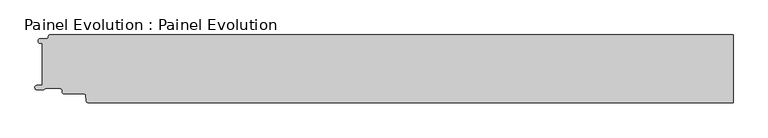
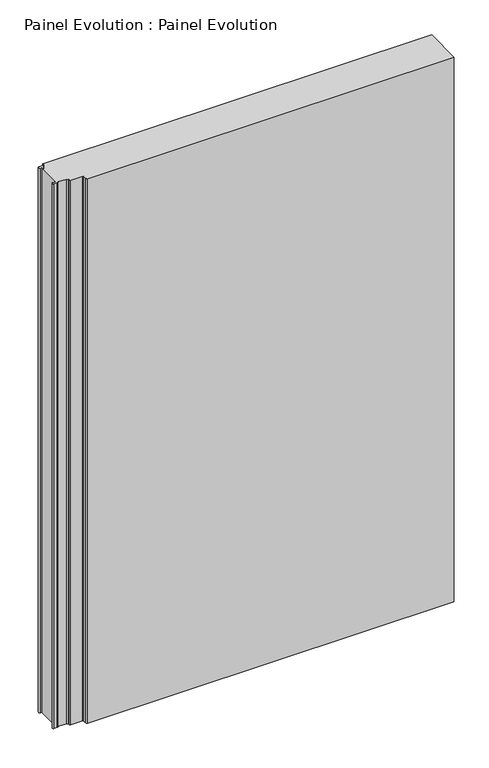
"""IFC4 building model written with IfcOpenShell, lengths in millimetres: proxy geometry, Painel Evolution : Painel Evolution."""

from ifc_helpers import new_model, si_unit, point, frame_2d, origin, origin_with_axes, place, context, project, spatial, polyline, circle_curve, trimmed, segment, composite_curve, outline, extrude, source, transform, mapped, element, save


def painel_evolution_painel_evolution_0a99a127(model_context):
    return source(origin(), model_context, "Body", "SweptSolid", [
        extrude(outline(composite_curve([segment(polyline([(-511.0390625, 50.0), (494.9999997, 50.0), (494.9999997, -50.0), (-454.4023864, -50.0)]), True, "CONTINUOUS"), segment(trimmed(circle_curve(frame_2d((-454.3507103, -47.1106339)), 2.8898282), [point((-454.4023864, -50.0))], [point((-457.2295384, -47.3625382))], False, "CARTESIAN"), True, "CONTINUOUS"), segment(polyline([(-457.2295384, -47.3625382), (-457.9760411, -38.8313116)]), True, "CONTINUOUS"), segment(trimmed(circle_curve(frame_2d((-459.9959051, -39.0080546)), 2.027582), [point((-457.9760411, -38.8313116))], [point((-458.3872648, -37.7738078))], True, "CARTESIAN"), True, "CONTINUOUS"), segment(trimmed(circle_curve(frame_2d((-459.9740222, -38.9912647)), 2.0), [point((-458.3872648, -37.7738078))], [point((-459.9818684, -36.99128))], True, "CARTESIAN"), True, "CONTINUOUS"), segment(polyline([(-459.9818684, -36.99128), (-489.9687938, -36.99128)]), True, "CONTINUOUS"), segment(trimmed(circle_curve(frame_2d((-489.9687938, -34.19128)), 2.8), [point((-489.9687938, -36.99128))], [point((-492.7687939, -34.19128))], False, "CARTESIAN"), True, "CONTINUOUS"), segment(polyline([(-492.7687939, -34.19128), (-492.7687939, -31.9007195)]), True, "CONTINUOUS"), segment(trimmed(circle_curve(frame_2d((-495.7687939, -31.9007195)), 3.0), [point((-492.7687939, -31.9007195))], [point((-495.7687939, -28.9007195))], True, "CARTESIAN"), True, "CONTINUOUS"), segment(polyline([(-495.7687939, -28.9007195), (-517.8062687, -28.9007195)]), True, "CONTINUOUS"), segment(trimmed(circle_curve(frame_2d((-517.8062687, -30.5007195)), 1.6), [point((-517.8062687, -28.9007195))], [point((-519.0123453, -29.4493494))], True, "CARTESIAN"), True, "CONTINUOUS"), segment(trimmed(circle_curve(frame_2d((-521.7593331, -27.7294942)), 3.2409634), [point((-519.0123453, -29.4493494))], [point((-520.2140128, -30.5783236))], False, "CARTESIAN"), True, "CONTINUOUS"), segment(trimmed(circle_curve(frame_2d((-521.3266399, -28.4518098)), 2.4), [point((-520.2140128, -30.5783236))], [point((-521.4215824, -30.8499312))], False, "CARTESIAN"), True, "CONTINUOUS"), segment(polyline([(-521.4215824, -30.8499312), (-529.7667193, -30.8499312)]), True, "CONTINUOUS"), segment(trimmed(circle_curve(frame_2d((-529.7667193, -27.5812398)), 3.2686913), [point((-529.7667193, -30.8499312))], [point((-529.9577702, -24.3181366))], False, "CARTESIAN"), True, "CONTINUOUS"), segment(polyline([(-529.9577702, -24.3181366), (-522.1155186, -24.3181366), (-522.1155186, 37.4922678), (-525.6488863, 37.4922678)]), True, "CONTINUOUS"), segment(trimmed(circle_curve(frame_2d((-524.8390625, 41.0)), 3.6), [point((-525.6488863, 37.4922678))], [point((-524.8390625, 44.6))], False, "CARTESIAN"), True, "CONTINUOUS"), segment(polyline([(-524.8390625, 44.6), (-515.0390625, 44.6)]), True, "CONTINUOUS"), segment(trimmed(circle_curve(frame_2d((-515.0390625, 46.6)), 2.0), [point((-515.0390625, 44.6))], [point((-513.0390625, 46.6))], True, "CARTESIAN"), True, "CONTINUOUS"), segment(polyline([(-513.0390625, 46.6), (-513.0390625, 48.0)]), True, "CONTINUOUS"), segment(trimmed(circle_curve(frame_2d((-511.0390625, 48.0)), 2.0), [point((-513.0390625, 48.0))], [point((-511.0390625, 50.0))], False, "CARTESIAN"), True, "CONTINUOUS")], self_intersect=False)), origin_with_axes(), (0.0, 0.0, 1.0), 1490.0),
    ])


if __name__ == "__main__":
    model = new_model("IFC4")
    model_context = context("Model", 3, world=origin())
    ifc_project = project(units=[si_unit("LENGTHUNIT", "METRE", prefix="MILLI")], contexts=[model_context])
    site = spatial("IfcSite", under=ifc_project)
    building = spatial("IfcBuilding", under=site)
    placement = place(None, origin())
    painel_evolution_painel_evolution_shape = painel_evolution_painel_evolution_0a99a127(model_context)
    element("IfcBuildingElementProxy", 1, Name="Painel Evolution : Painel Evolution", ObjectType="Painel Evolution : Painel Evolution", at=placement, inside=building, context=model_context, shape_type="MappedRepresentation", body=[
        mapped(painel_evolution_painel_evolution_shape, transform((0.0, 0.0, 0.0), x_axis=(1.0, 0.0, 0.0), y_axis=(0.0, 1.0, 0.0), z_axis=(0.0, 0.0, 1.0))),
    ])
    save(model, "model.ifc")
